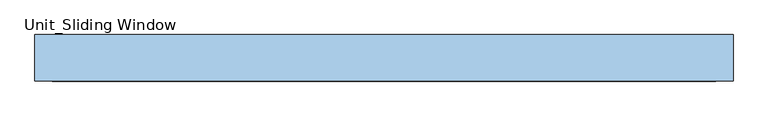
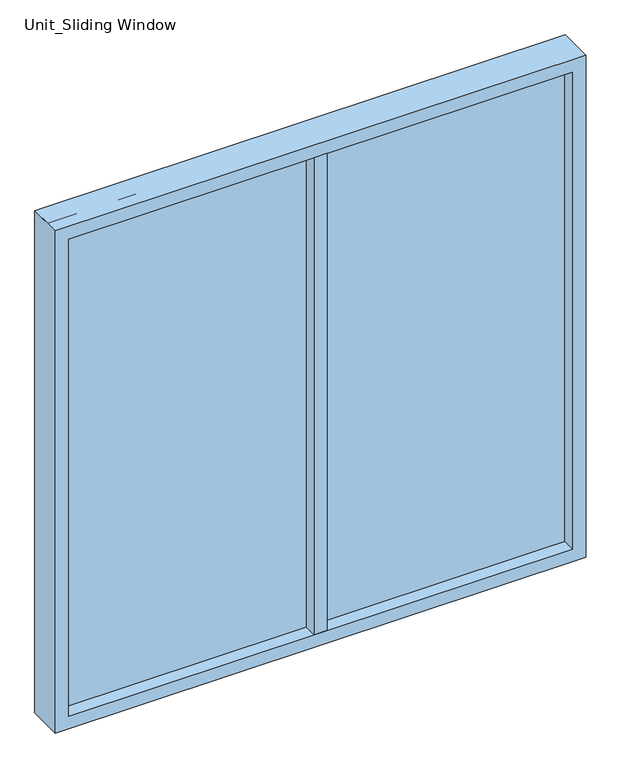
"""IFC4 building model written with IfcOpenShell, lengths in millimetres: window geometry, Unit_Sliding Window."""

from ifc_helpers import new_model, si_unit, frame, origin, place, context, project, spatial, polyline, outline, extrude, source, transform, mapped, element, save


def unit_sliding_window_0c255643(model_context):
    return source(origin(), model_context, "Body", "SweptSolid", [
        extrude(outline(polyline([(-19.05, -17.4625), (-19.05, 84.1375), (19.05, 84.1375), (19.05, -17.4625), (-19.05, -17.4625)])), frame((0.0, 0.0, 952.5), z_axis=(0.0, 0.0, 1.0), x_axis=(1.0, 0.0, 0.0)), (0.0, 0.0, 1.0), 1447.8),
        extrude(outline(polyline([(2438.4, -762.0), (914.4, -762.0), (914.4, 762.0), (2438.4, 762.0), (2438.4, -762.0)]), holes=[polyline([(2400.3, -723.9), (2400.3, 723.9), (952.5, 723.9), (952.5, -723.9), (2400.3, -723.9)])]), frame((0.0, -17.4625, 0.0), z_axis=(0.0, 1.0, 0.0), x_axis=(0.0, 0.0, 1.0)), (0.0, 0.0, 1.0), 101.6),
        extrude(outline(polyline([(-762.0, 20.6375), (-762.0, 46.0375), (762.0, 46.0375), (762.0, 20.6375), (-762.0, 20.6375)])), frame((0.0, 0.0, 914.4), z_axis=(0.0, 0.0, 1.0), x_axis=(1.0, 0.0, 0.0)), (0.0, 0.0, 1.0), 1524.0),
    ])


if __name__ == "__main__":
    model = new_model("IFC4")
    model_context = context("Model", 3, world=origin())
    ifc_project = project(units=[si_unit("LENGTHUNIT", "METRE", prefix="MILLI")], contexts=[model_context])
    site = spatial("IfcSite", under=ifc_project)
    building = spatial("IfcBuilding", under=site)
    placement = place(None, origin())
    unit_sliding_window_shape = unit_sliding_window_0c255643(model_context)
    element("IfcWindow", 1, ObjectType="Unit_Sliding Window", at=placement, inside=building, context=model_context, shape_type="MappedRepresentation", body=[
        mapped(unit_sliding_window_shape, transform((0.0, 0.0, 0.0), x_axis=(1.0, 0.0, 0.0), y_axis=(0.0, 1.0, 0.0), z_axis=(0.0, 0.0, 1.0))),
    ])
    save(model, "model.ifc")
